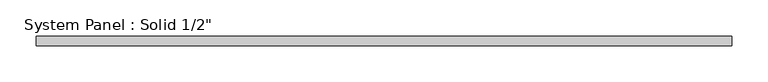
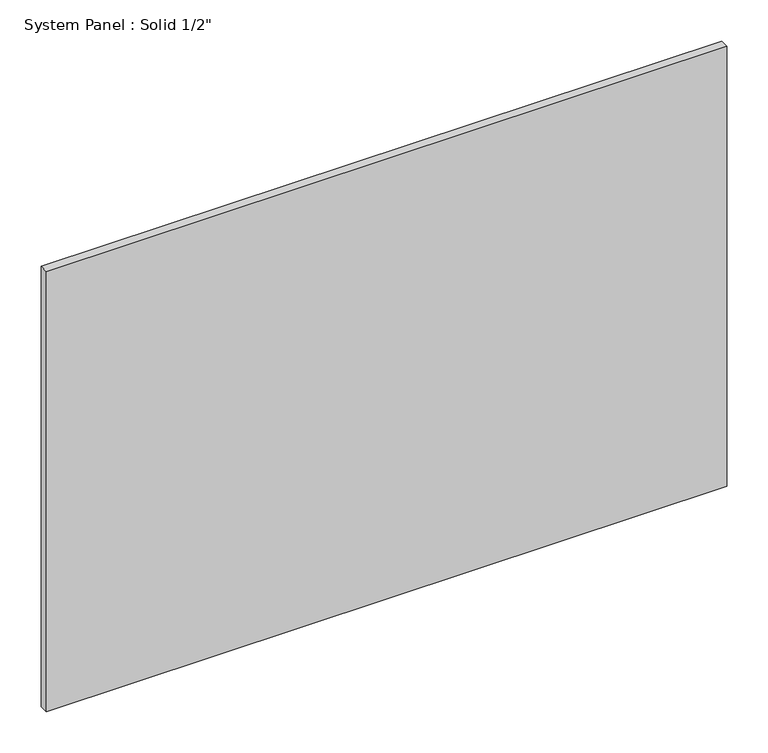
"""IFC4 building model written with IfcOpenShell, lengths in millimetres: plate geometry."""

from ifc_helpers import new_model, si_unit, origin, origin_with_axes, place, context, project, spatial, polyline, outline, extrude, source, transform, mapped, element, save


def plate_80ca51e2(model_context):
    return source(origin(), model_context, "Body", "SweptSolid", [
        extrude(outline(polyline([(478.3666667, -6.35), (-478.3666667, -6.35), (-478.3666667, 6.35), (478.3666667, 6.35), (478.3666667, -6.35)])), origin_with_axes(), (0.0, 0.0, 1.0), 654.05),
    ])


if __name__ == "__main__":
    model = new_model("IFC4")
    model_context = context("Model", 3, world=origin())
    ifc_project = project(units=[si_unit("LENGTHUNIT", "METRE", prefix="MILLI")], contexts=[model_context])
    site = spatial("IfcSite", under=ifc_project)
    building = spatial("IfcBuilding", under=site)
    placement = place(None, origin())
    plate_shape = plate_80ca51e2(model_context)
    element("IfcPlate", 1, ObjectType="System Panel : Solid 1/2\"", at=placement, inside=building, context=model_context, shape_type="MappedRepresentation", body=[
        mapped(plate_shape, transform((0.0, 0.0, 0.0), x_axis=(1.0, 0.0, 0.0), y_axis=(0.0, 1.0, 0.0), z_axis=(0.0, 0.0, 1.0))),
    ])
    save(model, "model.ifc")
